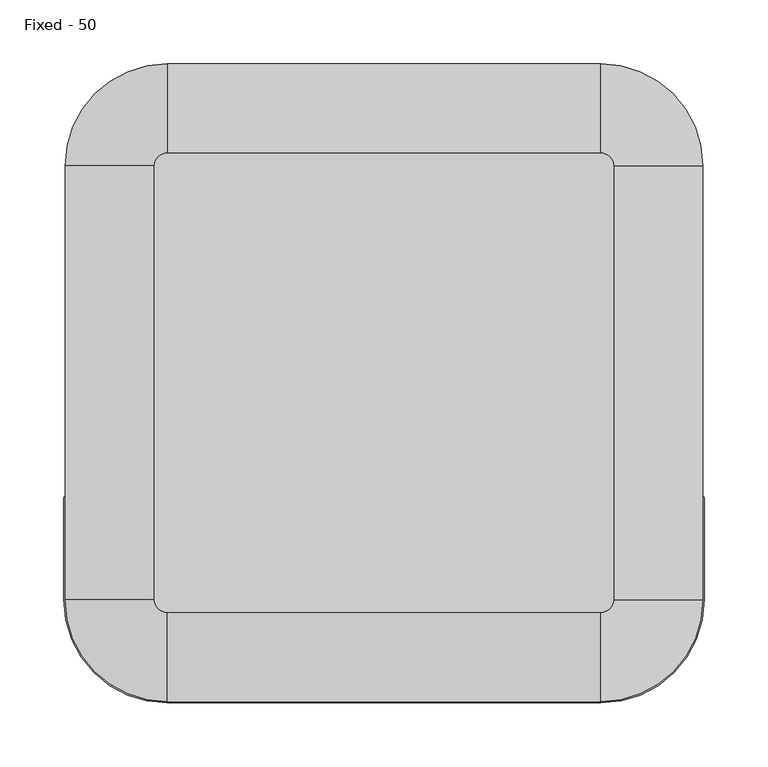
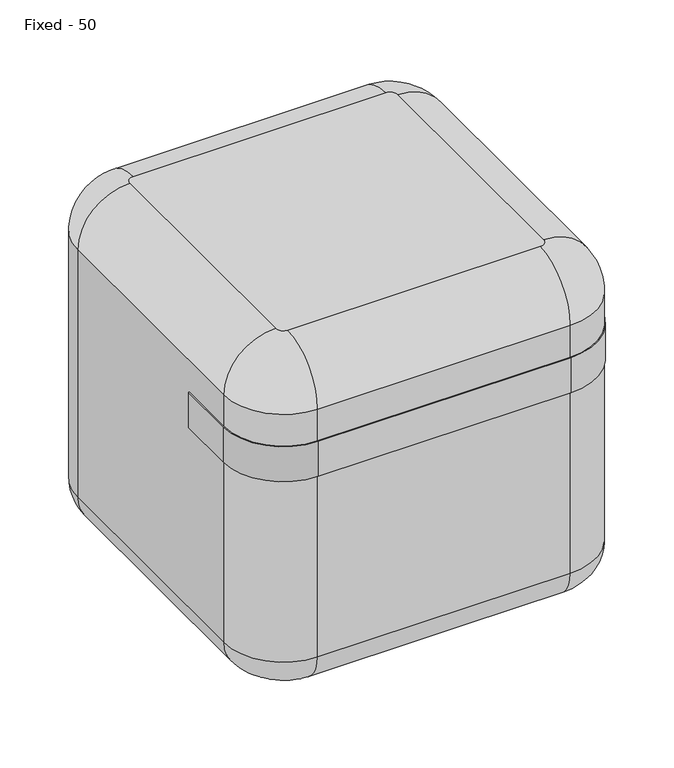
"""IFC4 building model written with IfcOpenShell, lengths in millimetres: furniture geometry, Fixed - 50."""

from ifc_helpers import new_model, si_unit, point, frame, frame_2d, origin, origin_with_axes, place, context, project, spatial, polyline, circle_curve, ellipse_curve, trimmed, segment, composite_curve, outline, extrude, source, transform, mapped, element, save
from ifc_brep_helpers import plane_surface, cylinder_surface, revolved_surface, advanced_brep


def fixed_50_ed88566f(model_context):
    return source(origin(), model_context, "Body", "SolidModel", [
        extrude(outline(composite_curve([segment(trimmed(circle_curve(frame_2d((80.0, 80.0)), 80.0), [point((0.0, 80.0))], [point((80.0, 0.0))], True, "CARTESIAN"), True, "CONTINUOUS"), segment(polyline([(80.0, 0.0), (420.0, 0.0)]), True, "CONTINUOUS"), segment(trimmed(circle_curve(frame_2d((420.0, 80.0)), 80.0), [point((420.0, 0.0))], [point((500.0, 80.0))], True, "CARTESIAN"), True, "CONTINUOUS"), segment(polyline([(500.0, 80.0), (500.0, 160.0)]), True, "CONTINUOUS"), segment(trimmed(circle_curve(frame_2d((500.5, 160.0)), 0.5), [point((500.0, 160.0))], [point((501.0, 160.0))], False, "CARTESIAN"), True, "CONTINUOUS"), segment(polyline([(501.0, 160.0), (501.0, 80.0)]), True, "CONTINUOUS"), segment(trimmed(circle_curve(frame_2d((420.0, 80.0)), 81.0), [point((501.0, 80.0))], [point((420.0, -1.0))], False, "CARTESIAN"), True, "CONTINUOUS"), segment(polyline([(420.0, -1.0), (80.0, -1.0)]), True, "CONTINUOUS"), segment(trimmed(circle_curve(frame_2d((80.0, 80.0)), 81.0), [point((80.0, -1.0))], [point((-1.0, 80.0))], False, "CARTESIAN"), True, "CONTINUOUS"), segment(polyline([(-1.0, 80.0), (-1.0, 160.0)]), True, "CONTINUOUS"), segment(trimmed(circle_curve(frame_2d((-0.5, 160.0)), 0.5), [point((-1.0, 160.0))], [point((0.0, 160.0))], False, "CARTESIAN"), True, "CONTINUOUS"), segment(polyline([(0.0, 160.0), (0.0, 80.0)]), True, "CONTINUOUS")], self_intersect=False)), frame((0.0, 0.0, 325.0), z_axis=(0.0, 0.0, 1.0), x_axis=(1.0, 0.0, 0.0)), (0.0, 0.0, 1.0), 50.0),
        extrude(outline(composite_curve([segment(trimmed(circle_curve(frame_2d((111.5, 395.0)), 20.0), [point((91.5, 395.0))], [point((131.5, 395.0))], False, "CARTESIAN"), True, "CONTINUOUS"), segment(trimmed(circle_curve(frame_2d((111.5, 395.0)), 20.0), [point((131.5, 395.0))], [point((91.5, 395.0))], False, "CARTESIAN"), True, "CONTINUOUS")], self_intersect=False)), origin_with_axes(), (0.0, 0.0, 1.0), 18.0),
        extrude(outline(composite_curve([segment(trimmed(circle_curve(frame_2d((388.5, 395.0)), 20.0), [point((368.5, 395.0))], [point((408.5, 395.0))], False, "CARTESIAN"), True, "CONTINUOUS"), segment(trimmed(circle_curve(frame_2d((388.5, 395.0)), 20.0), [point((408.5, 395.0))], [point((368.5, 395.0))], False, "CARTESIAN"), True, "CONTINUOUS")], self_intersect=False)), origin_with_axes(), (0.0, 0.0, 1.0), 18.0),
        extrude(outline(composite_curve([segment(trimmed(circle_curve(frame_2d((111.5, 105.0)), 20.0), [point((91.5, 105.0))], [point((131.5, 105.0))], False, "CARTESIAN"), True, "CONTINUOUS"), segment(trimmed(circle_curve(frame_2d((111.5, 105.0)), 20.0), [point((131.5, 105.0))], [point((91.5, 105.0))], False, "CARTESIAN"), True, "CONTINUOUS")], self_intersect=False)), origin_with_axes(), (0.0, 0.0, 1.0), 18.0),
        extrude(outline(composite_curve([segment(trimmed(circle_curve(frame_2d((388.5, 105.0)), 20.0), [point((368.5, 105.0))], [point((408.5, 105.0))], False, "CARTESIAN"), True, "CONTINUOUS"), segment(trimmed(circle_curve(frame_2d((388.5, 105.0)), 20.0), [point((408.5, 105.0))], [point((368.5, 105.0))], False, "CARTESIAN"), True, "CONTINUOUS")], self_intersect=False)), origin_with_axes(), (0.0, 0.0, 1.0), 18.0),
        advanced_brep(
        [(430.0, 420.0, 490.0), (420.0, 430.0, 490.0), (80.0, 430.0, 490.0), (70.0, 420.0, 490.0), (70.0, 80.0, 490.0), (80.0, 70.0, 490.0), (420.0, 70.0, 490.0), (430.0, 80.0, 490.0), (420.0, 450.0, 18.0), (450.0, 420.0, 18.0), (450.0, 80.0, 18.0), (420.0, 50.0, 18.0), (80.0, 50.0, 18.0), (50.0, 80.0, 18.0), (50.0, 420.0, 18.0), (80.0, 450.0, 18.0), (500.0, 420.0, 420.0), (420.0, 500.0, 420.0), (500.0, 420.0, 68.0), (420.0, 500.0, 68.0), (500.0, 80.0, 420.0), (500.0, 80.0, 68.0), (420.0, 0.0, 420.0), (420.0, 0.0, 68.0), (80.0, 0.0, 420.0), (80.0, 0.0, 68.0), (0.0, 80.0, 420.0), (0.0, 80.0, 68.0), (0.0, 420.0, 420.0), (0.0, 420.0, 68.0), (80.0, 500.0, 420.0), (80.0, 500.0, 68.0)],
        [
            (0, 1, circle_curve(frame((420.0, 420.0, 490.0), z_axis=(0.0, 0.0, 1.0), x_axis=(0.0, 1.0, 0.0)), 10.0)),
            (1, 2),
            (2, 3, circle_curve(frame((80.0, 420.0, 490.0), z_axis=(0.0, 0.0, 1.0), x_axis=(-1.0, 0.0, 0.0)), 10.0)),
            (3, 4),
            (4, 5, circle_curve(frame((80.0, 80.0, 490.0), z_axis=(0.0, 0.0, 1.0), x_axis=(0.0, -1.0, 0.0)), 10.0)),
            (5, 6),
            (6, 7, circle_curve(frame((420.0, 80.0, 490.0), z_axis=(0.0, 0.0, 1.0), x_axis=(1.0, 0.0, 0.0)), 10.0)),
            (7, 0),
            (8, 9, circle_curve(frame((420.0, 420.0, 18.0), z_axis=(0.0, 0.0, -1.0), x_axis=(0.0, 1.0, 0.0)), 30.0)),
            (9, 10),
            (10, 11, circle_curve(frame((420.0, 80.0, 18.0), z_axis=(0.0, 0.0, -1.0), x_axis=(1.0, 0.0, 0.0)), 30.0)),
            (11, 12),
            (12, 13, circle_curve(frame((80.0, 80.0, 18.0), z_axis=(0.0, 0.0, -1.0), x_axis=(0.0, -1.0, 0.0)), 30.0)),
            (13, 14),
            (14, 15, circle_curve(frame((80.0, 420.0, 18.0), z_axis=(0.0, 0.0, -1.0), x_axis=(-1.0, 0.0, 0.0)), 30.0)),
            (15, 8),
            (16, 17, circle_curve(frame((420.0, 420.0, 420.0), z_axis=(0.0, 0.0, 1.0), x_axis=(0.0, 1.0, 0.0)), 80.0)),
            (17, 1, circle_curve(frame((420.0, 430.0, 420.0), z_axis=(1.0, 0.0, 0.0), x_axis=(0.0, 1.0, 0.0)), 70.0)),
            (0, 16, circle_curve(frame((430.0, 420.0, 420.0), z_axis=(0.0, 1.0, 0.0), x_axis=(1.0, 0.0, 0.0)), 70.0)),
            (16, 18),
            (18, 19, circle_curve(frame((420.0, 420.0, 68.0), z_axis=(0.0, 0.0, 1.0), x_axis=(0.0, 1.0, 0.0)), 80.0)),
            (19, 17),
            (18, 9, circle_curve(frame((450.0, 420.0, 68.0), z_axis=(0.0, 1.0, 0.0), x_axis=(1.0, 0.0, 0.0)), 50.0)),
            (8, 19, circle_curve(frame((420.0, 450.0, 68.0), z_axis=(1.0, 0.0, 0.0), x_axis=(0.0, 1.0, 0.0)), 50.0)),
            (7, 20, circle_curve(frame((430.0, 80.0, 420.0), z_axis=(0.0, 1.0, 0.0), x_axis=(1.0, 0.0, 0.0)), 70.0)),
            (20, 16),
            (20, 21),
            (21, 18),
            (21, 10, circle_curve(frame((450.0, 80.0, 68.0), z_axis=(0.0, 1.0, 0.0), x_axis=(1.0, 0.0, 0.0)), 50.0)),
            (6, 22, circle_curve(frame((420.0, 70.0, 420.0), z_axis=(1.0, 0.0, 0.0), x_axis=(0.0, -1.0, 0.0)), 70.0)),
            (22, 20, circle_curve(frame((420.0, 80.0, 420.0), z_axis=(0.0, 0.0, 1.0), x_axis=(1.0, 0.0, 0.0)), 80.0)),
            (22, 23),
            (23, 21, circle_curve(frame((420.0, 80.0, 68.0), z_axis=(0.0, 0.0, 1.0), x_axis=(1.0, 0.0, 0.0)), 80.0)),
            (23, 11, circle_curve(frame((420.0, 50.0, 68.0), z_axis=(1.0, 0.0, 0.0), x_axis=(0.0, -1.0, 0.0)), 50.0)),
            (5, 24, circle_curve(frame((80.0, 70.0, 420.0), z_axis=(1.0, 0.0, 0.0), x_axis=(0.0, -1.0, 0.0)), 70.0)),
            (24, 22),
            (24, 25),
            (25, 23),
            (25, 12, circle_curve(frame((80.0, 50.0, 68.0), z_axis=(1.0, 0.0, 0.0), x_axis=(0.0, -1.0, 0.0)), 50.0)),
            (4, 26, circle_curve(frame((70.0, 80.0, 420.0), z_axis=(0.0, -1.0, 0.0), x_axis=(-1.0, 0.0, 0.0)), 70.0)),
            (26, 24, circle_curve(frame((80.0, 80.0, 420.0), z_axis=(0.0, 0.0, 1.0), x_axis=(0.0, -1.0, 0.0)), 80.0)),
            (26, 27),
            (27, 25, circle_curve(frame((80.0, 80.0, 68.0), z_axis=(0.0, 0.0, 1.0), x_axis=(0.0, -1.0, 0.0)), 80.0)),
            (27, 13, circle_curve(frame((50.0, 80.0, 68.0), z_axis=(0.0, -1.0, 0.0), x_axis=(-1.0, 0.0, 0.0)), 50.0)),
            (3, 28, circle_curve(frame((70.0, 420.0, 420.0), z_axis=(0.0, -1.0, 0.0), x_axis=(-1.0, 0.0, 0.0)), 70.0)),
            (28, 26),
            (28, 29),
            (29, 27),
            (29, 14, circle_curve(frame((50.0, 420.0, 68.0), z_axis=(0.0, -1.0, 0.0), x_axis=(-1.0, 0.0, 0.0)), 50.0)),
            (2, 30, circle_curve(frame((80.0, 430.0, 420.0), z_axis=(-1.0, 0.0, 0.0), x_axis=(0.0, 1.0, 0.0)), 70.0)),
            (30, 28, circle_curve(frame((80.0, 420.0, 420.0), z_axis=(0.0, 0.0, 1.0), x_axis=(-1.0, 0.0, 0.0)), 80.0)),
            (30, 31),
            (31, 29, circle_curve(frame((80.0, 420.0, 68.0), z_axis=(0.0, 0.0, 1.0), x_axis=(-1.0, 0.0, 0.0)), 80.0)),
            (31, 15, circle_curve(frame((80.0, 450.0, 68.0), z_axis=(-1.0, 0.0, 0.0), x_axis=(0.0, 1.0, 0.0)), 50.0)),
            (17, 30),
            (19, 31),
        ],
        [
            plane_surface(frame((80.0, 423.0, 490.0), z_axis=(0.0, 0.0, 1.0), x_axis=(-1.0, 0.0, 0.0))),
            plane_surface(frame((80.0, 423.0, 18.0), z_axis=(0.0, 0.0, -1.0), x_axis=(1.0, 0.0, 0.0))),
            revolved_surface(trimmed(ellipse_curve(frame((420.0, 430.0, 420.0), z_axis=(-1.0, 0.0, 0.0), x_axis=(0.0, 1.0, 0.0)), 70.0, 70.0), [point((420.0, 430.0, 490.0))], [point((420.0, 500.0, 420.0))], True, "CARTESIAN"), (420.0, 420.0, 0.0), (0.0, 0.0, -1.0)),
            cylinder_surface(frame((420.0, 420.0, 0.0), z_axis=(0.0, 0.0, -1.0), x_axis=(0.0, 1.0, 0.0)), 80.0),
            revolved_surface(trimmed(ellipse_curve(frame((420.0, 450.0, 68.0), z_axis=(-1.0, 0.0, 0.0), x_axis=(0.0, 1.0, 0.0)), 50.0, 50.0), [point((420.0, 500.0, 68.0))], [point((420.0, 450.0, 18.0))], True, "CARTESIAN"), (420.0, 420.0, 0.0), (0.0, 0.0, -1.0)),
            cylinder_surface(frame((430.0, 420.0, 420.0), z_axis=(0.0, 1.0, 0.0), x_axis=(1.0, 0.0, 0.0)), 70.0),
            plane_surface(frame((500.0, 420.0, 420.0), z_axis=(1.0, 0.0, 0.0), x_axis=(0.0, -1.0, 0.0))),
            cylinder_surface(frame((450.0, 420.0, 68.0), z_axis=(0.0, 1.0, 0.0), x_axis=(1.0, 0.0, 0.0)), 50.0),
            revolved_surface(trimmed(ellipse_curve(frame((430.0, 80.0, 420.0), z_axis=(0.0, 1.0, 0.0), x_axis=(1.0, 0.0, 0.0)), 70.0, 70.0), [point((430.0, 80.0, 490.0))], [point((500.0, 80.0, 420.0))], True, "CARTESIAN"), (420.0, 80.0, 0.0), (0.0, 0.0, -1.0)),
            cylinder_surface(frame((420.0, 80.0, 0.0), z_axis=(0.0, 0.0, -1.0), x_axis=(1.0, 0.0, 0.0)), 80.0),
            revolved_surface(trimmed(ellipse_curve(frame((450.0, 80.0, 68.0), z_axis=(0.0, 1.0, 0.0), x_axis=(1.0, 0.0, 0.0)), 50.0, 50.0), [point((500.0, 80.0, 68.0))], [point((450.0, 80.0, 18.0))], True, "CARTESIAN"), (420.0, 80.0, 0.0), (0.0, 0.0, -1.0)),
            cylinder_surface(frame((420.0, 70.0, 420.0), z_axis=(1.0, 0.0, 0.0), x_axis=(0.0, -1.0, 0.0)), 70.0),
            plane_surface(frame((420.0, 0.0, 420.0), z_axis=(0.0, -1.0, 0.0), x_axis=(-1.0, 0.0, 0.0))),
            cylinder_surface(frame((420.0, 50.0, 68.0), z_axis=(1.0, 0.0, 0.0), x_axis=(0.0, -1.0, 0.0)), 50.0),
            revolved_surface(trimmed(ellipse_curve(frame((80.0, 70.0, 420.0), z_axis=(1.0, 0.0, 0.0), x_axis=(0.0, -1.0, 0.0)), 70.0, 70.0), [point((80.0, 70.0, 490.0))], [point((80.0, 0.0, 420.0))], True, "CARTESIAN"), (80.0, 80.0, 0.0), (0.0, 0.0, -1.0)),
            cylinder_surface(frame((80.0, 80.0, 0.0), z_axis=(0.0, 0.0, -1.0), x_axis=(0.0, -1.0, 0.0)), 80.0),
            revolved_surface(trimmed(ellipse_curve(frame((80.0, 50.0, 68.0), z_axis=(1.0, 0.0, 0.0), x_axis=(0.0, -1.0, 0.0)), 50.0, 50.0), [point((80.0, 0.0, 68.0))], [point((80.0, 50.0, 18.0))], True, "CARTESIAN"), (80.0, 80.0, 0.0), (0.0, 0.0, -1.0)),
            cylinder_surface(frame((70.0, 80.0, 420.0), z_axis=(0.0, -1.0, 0.0), x_axis=(-1.0, 0.0, 0.0)), 70.0),
            plane_surface(frame((0.0, 80.0, 420.0), z_axis=(-1.0, 0.0, 0.0), x_axis=(0.0, 1.0, 0.0))),
            cylinder_surface(frame((50.0, 80.0, 68.0), z_axis=(0.0, -1.0, 0.0), x_axis=(-1.0, 0.0, 0.0)), 50.0),
            revolved_surface(trimmed(ellipse_curve(frame((70.0, 420.0, 420.0), z_axis=(0.0, -1.0, 0.0), x_axis=(-1.0, 0.0, 0.0)), 70.0, 70.0), [point((70.0, 420.0, 490.0))], [point((0.0, 420.0, 420.0))], True, "CARTESIAN"), (80.0, 420.0, 0.0), (0.0, 0.0, -1.0)),
            cylinder_surface(frame((80.0, 420.0, 0.0), z_axis=(0.0, 0.0, -1.0), x_axis=(-1.0, 0.0, 0.0)), 80.0),
            revolved_surface(trimmed(ellipse_curve(frame((50.0, 420.0, 68.0), z_axis=(0.0, -1.0, 0.0), x_axis=(-1.0, 0.0, 0.0)), 50.0, 50.0), [point((0.0, 420.0, 68.0))], [point((50.0, 420.0, 18.0))], True, "CARTESIAN"), (80.0, 420.0, 0.0), (0.0, 0.0, -1.0)),
            cylinder_surface(frame((80.0, 430.0, 420.0), z_axis=(-1.0, 0.0, 0.0), x_axis=(0.0, 1.0, 0.0)), 70.0),
            plane_surface(frame((80.0, 500.0, 420.0), z_axis=(0.0, 1.0, 0.0), x_axis=(1.0, 0.0, 0.0))),
            cylinder_surface(frame((80.0, 450.0, 68.0), z_axis=(-1.0, 0.0, 0.0), x_axis=(0.0, 1.0, 0.0)), 50.0),
        ],
        [
            (0, [[1, 2, 3, 4, 5, 6, 7, 8]]),
            (1, [[9, 10, 11, 12, 13, 14, 15, 16]]),
            (2, [[17, 18, -1, 19]]),
            (3, [[-17, 20, 21, 22]]),
            (4, [[-21, 23, -9, 24]]),
            (5, [[-19, -8, 25, 26]]),
            (6, [[-20, -26, 27, 28]]),
            (7, [[-23, -28, 29, -10]]),
            (8, [[-25, -7, 30, 31]]),
            (9, [[-27, -31, 32, 33]]),
            (10, [[-29, -33, 34, -11]]),
            (11, [[-30, -6, 35, 36]]),
            (12, [[-32, -36, 37, 38]]),
            (13, [[-34, -38, 39, -12]]),
            (14, [[-35, -5, 40, 41]]),
            (15, [[-37, -41, 42, 43]]),
            (16, [[-39, -43, 44, -13]]),
            (17, [[-40, -4, 45, 46]]),
            (18, [[-42, -46, 47, 48]]),
            (19, [[-44, -48, 49, -14]]),
            (20, [[-45, -3, 50, 51]]),
            (21, [[-47, -51, 52, 53]]),
            (22, [[-49, -53, 54, -15]]),
            (23, [[-18, 55, -50, -2]]),
            (24, [[-22, 56, -52, -55]]),
            (25, [[-24, -16, -54, -56]]),
        ],
    ),
    ])


if __name__ == "__main__":
    model = new_model("IFC4")
    model_context = context("Model", 3, world=origin())
    ifc_project = project(units=[si_unit("LENGTHUNIT", "METRE", prefix="MILLI")], contexts=[model_context])
    site = spatial("IfcSite", under=ifc_project)
    building = spatial("IfcBuilding", under=site)
    placement = place(None, origin())
    fixed_50_shape = fixed_50_ed88566f(model_context)
    element("IfcFurniture", 1, ObjectType="Fixed - 50", at=placement, inside=building, context=model_context, shape_type="MappedRepresentation", body=[
        mapped(fixed_50_shape, transform((0.0, 0.0, 0.0), x_axis=(1.0, 0.0, 0.0), y_axis=(0.0, 1.0, 0.0), z_axis=(0.0, 0.0, 1.0))),
    ])
    save(model, "model.ifc")
